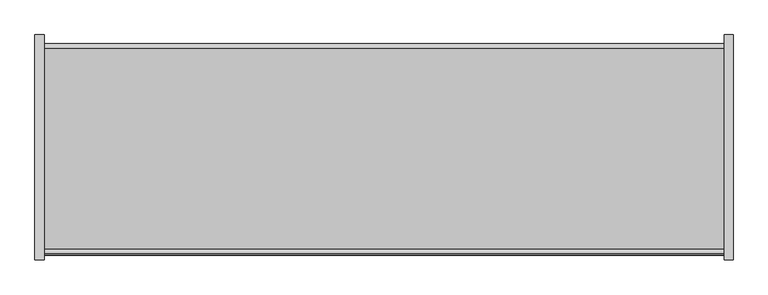
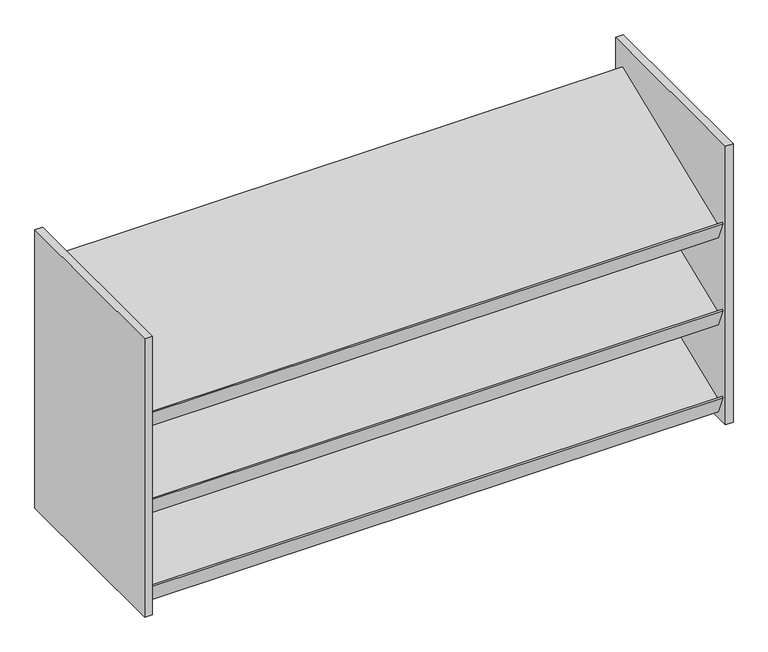
"""IFC4 building model written with IfcOpenShell, lengths in millimetres: furniture geometry."""

from ifc_helpers import new_model, si_unit, frame, origin, place, context, project, spatial, polyline, outline, extrude, source, transform, mapped, element, save


def furniture_f4a03489(model_context):
    return source(origin(), model_context, "Body", "SweptSolid", [
        extrude(outline(polyline([(-180.975, 2019.3), (-197.8336902, 2061.0267226), (-194.8898815, 2062.2160985), (-187.5461987, 2044.0398458), (162.7670411, 2185.575582), (172.2820486, 2162.0251121), (-180.975, 2019.3)])), frame((-593.725, 0.0, 0.0), z_axis=(1.0, 0.0, 0.0), x_axis=(0.0, 1.0, 0.0)), (0.0, 0.0, 1.0), 1187.45),
        extrude(outline(polyline([(-180.975, 1828.8), (-197.8336902, 1870.5267226), (-194.8898815, 1871.7160985), (-187.5461987, 1853.5398458), (162.7670411, 1995.075582), (172.2820486, 1971.5251121), (-180.975, 1828.8)])), frame((-593.725, 0.0, 0.0), z_axis=(1.0, 0.0, 0.0), x_axis=(0.0, 1.0, 0.0)), (0.0, 0.0, 1.0), 1187.45),
        extrude(outline(polyline([(-180.975, 1638.3), (-197.8336902, 1680.0267226), (-194.8898815, 1681.2160985), (-187.5461987, 1663.0398458), (162.7670411, 1804.575582), (172.2820486, 1781.0251121), (-180.975, 1638.3)])), frame((-593.725, 0.0, 0.0), z_axis=(1.0, 0.0, 0.0), x_axis=(0.0, 1.0, 0.0)), (0.0, 0.0, 1.0), 1187.45),
        extrude(outline(polyline([(-593.725, 187.325), (-593.725, -206.375), (-609.6, -206.375), (-609.6, 187.325), (-593.725, 187.325)])), frame((0.0, 0.0, 1625.6), z_axis=(0.0, 0.0, 1.0), x_axis=(1.0, 0.0, 0.0)), (0.0, 0.0, 1.0), 609.6),
        extrude(outline(polyline([(609.6, 187.325), (609.6, -206.375), (593.725, -206.375), (593.725, 187.325), (609.6, 187.325)])), frame((0.0, 0.0, 1625.6), z_axis=(0.0, 0.0, 1.0), x_axis=(1.0, 0.0, 0.0)), (0.0, 0.0, 1.0), 609.6),
    ])


if __name__ == "__main__":
    model = new_model("IFC4")
    model_context = context("Model", 3, world=origin())
    ifc_project = project(units=[si_unit("LENGTHUNIT", "METRE", prefix="MILLI")], contexts=[model_context])
    site = spatial("IfcSite", under=ifc_project)
    building = spatial("IfcBuilding", under=site)
    placement = place(None, origin())
    furniture_shape = furniture_f4a03489(model_context)
    element("IfcFurniture", 1, at=placement, inside=building, context=model_context, shape_type="MappedRepresentation", body=[
        mapped(furniture_shape, transform((0.0, 0.0, 0.0), x_axis=(1.0, 0.0, 0.0), y_axis=(0.0, 1.0, 0.0), z_axis=(0.0, 0.0, 1.0))),
    ])
    save(model, "model.ifc")
